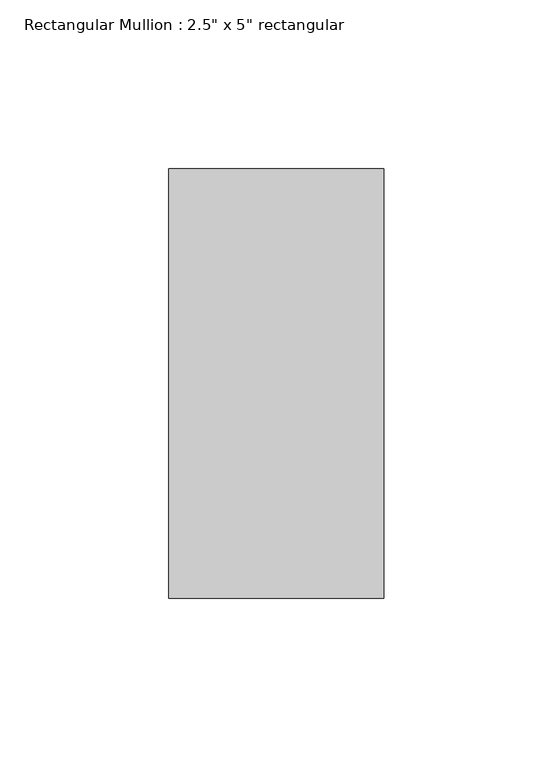
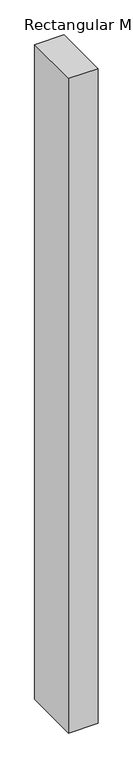
"""IFC4 building model written with IfcOpenShell, lengths in millimetres: member geometry."""

from ifc_helpers import new_model, si_unit, frame, origin, place, context, project, spatial, polyline, outline, extrude, source, transform, mapped, element, save


def member_a8b93c61(model_context):
    return source(origin(), model_context, "Body", "SweptSolid", [
        extrude(outline(polyline([(0.0, 63.5), (0.0, -63.5), (-63.5, -63.5), (-63.5, 63.5), (0.0, 63.5)])), frame((0.0, 0.0, -1498.6), z_axis=(0.0, 0.0, 1.0), x_axis=(1.0, 0.0, 0.0)), (0.0, 0.0, 1.0), 1498.6),
    ])


if __name__ == "__main__":
    model = new_model("IFC4")
    model_context = context("Model", 3, world=origin())
    ifc_project = project(units=[si_unit("LENGTHUNIT", "METRE", prefix="MILLI")], contexts=[model_context])
    site = spatial("IfcSite", under=ifc_project)
    building = spatial("IfcBuilding", under=site)
    placement = place(None, origin())
    member_shape = member_a8b93c61(model_context)
    element("IfcMember", 1, ObjectType="Rectangular Mullion : 2.5\" x 5\" rectangular", at=placement, inside=building, context=model_context, shape_type="MappedRepresentation", body=[
        mapped(member_shape, transform((0.0, 0.0, 0.0), x_axis=(1.0, 0.0, 0.0), y_axis=(0.0, 1.0, 0.0), z_axis=(0.0, 0.0, 1.0))),
    ])
    save(model, "model.ifc")
